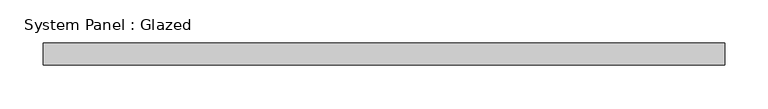
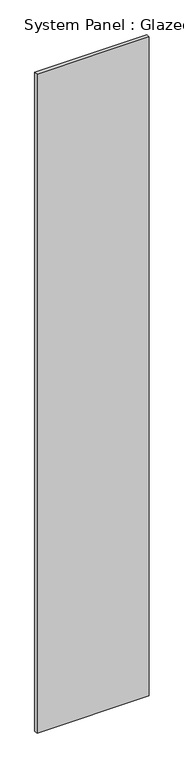
"""IFC4 building model written with IfcOpenShell, lengths in millimetres: plate geometry, System Panel : Glazed."""

from ifc_helpers import new_model, si_unit, origin, origin_with_axes, place, context, project, spatial, polyline, outline, extrude, source, transform, mapped, element, save


def system_panel_glazed_4997dcee(model_context):
    return source(origin(), model_context, "Body", "SweptSolid", [
        extrude(outline(polyline([(393.7, 19.05), (-393.7, 19.05), (-393.7, 44.45), (393.7, 44.45), (393.7, 19.05)])), origin_with_axes(), (0.0, 0.0, 1.0), 4876.8),
    ])


if __name__ == "__main__":
    model = new_model("IFC4")
    model_context = context("Model", 3, world=origin())
    ifc_project = project(units=[si_unit("LENGTHUNIT", "METRE", prefix="MILLI")], contexts=[model_context])
    site = spatial("IfcSite", under=ifc_project)
    building = spatial("IfcBuilding", under=site)
    placement = place(None, origin())
    system_panel_glazed_shape = system_panel_glazed_4997dcee(model_context)
    element("IfcPlate", 1, ObjectType="System Panel : Glazed", at=placement, inside=building, context=model_context, shape_type="MappedRepresentation", body=[
        mapped(system_panel_glazed_shape, transform((0.0, 0.0, 0.0), x_axis=(1.0, 0.0, 0.0), y_axis=(0.0, 1.0, 0.0), z_axis=(0.0, 0.0, 1.0))),
    ])
    save(model, "model.ifc")
